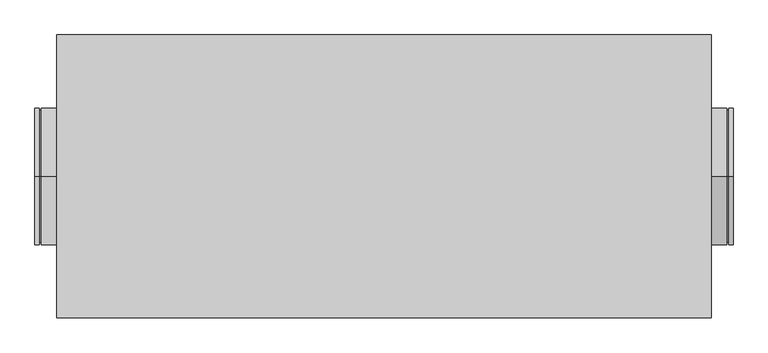
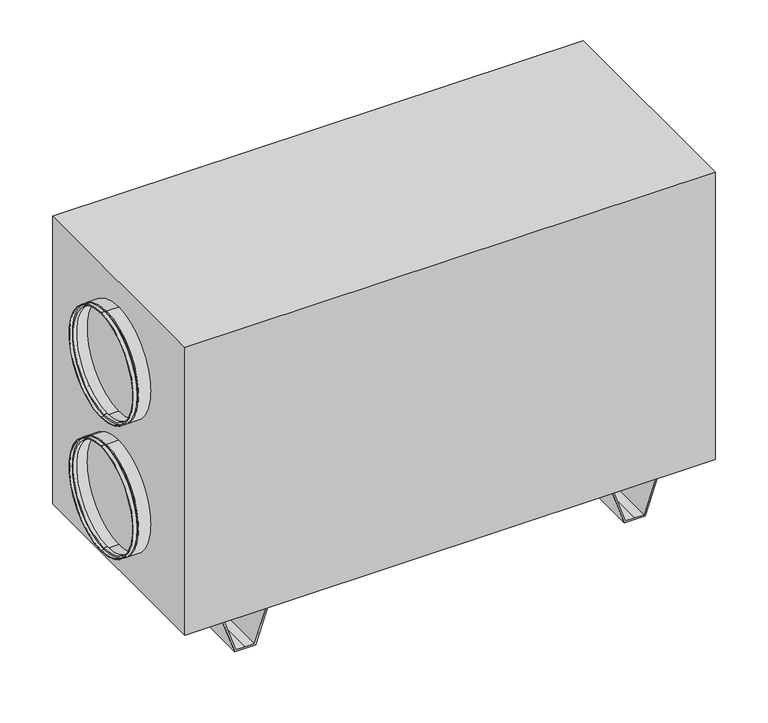
"""IFC4 building model written with IfcOpenShell, lengths in millimetres: proxy geometry."""

from ifc_helpers import new_model, si_unit, frame, origin, place, context, project, spatial, polyline, circle_curve, outline, extrude, source, transform, mapped, element, save
from ifc_brep_helpers import plane_surface, cylinder_surface, revolved_surface, advanced_brep


def mechanical_equipment_5126ec6a(model_context):
    return source(origin(), model_context, "Body", "SolidModel", [
        advanced_brep(
        [(792.5, 0.0, 213.5), (792.5, 0.0, 528.5), (802.5, 0.0, 528.5), (802.5, 0.0, 213.5), (792.5, 0.0, 218.5), (792.5, 0.0, 523.5), (787.5, 0.0, 218.5), (787.5, 0.0, 523.5), (787.5, 0.0, 213.5), (787.5, 0.0, 528.5), (752.5, 0.0, 213.5), (752.5, 0.0, 528.5), (752.5, 0.0, 215.5), (752.5, 0.0, 526.5), (785.5, 0.0, 215.5), (785.5, 0.0, 526.5), (785.5, 0.0, 220.5), (785.5, 0.0, 521.5), (794.5, 0.0, 220.5), (794.5, 0.0, 521.5), (794.5, 0.0, 215.5), (794.5, 0.0, 526.5), (802.5, 0.0, 215.5), (802.5, 0.0, 526.5)],
        [
            (0, 1, circle_curve(frame((792.5, 0.0, 371.0), z_axis=(1.0, 0.0, 0.0), x_axis=(0.0, 0.0, 1.0)), 157.5)),
            (1, 2),
            (2, 3, circle_curve(frame((802.5, 0.0, 371.0), z_axis=(-1.0, 0.0, 0.0), x_axis=(0.0, 0.0, 1.0)), 157.5)),
            (3, 0),
            (1, 0, circle_curve(frame((792.5, 0.0, 371.0), z_axis=(1.0, 0.0, 0.0), x_axis=(0.0, 0.0, 1.0)), 157.5)),
            (3, 2, circle_curve(frame((802.5, 0.0, 371.0), z_axis=(-1.0, 0.0, 0.0), x_axis=(0.0, 0.0, 1.0)), 157.5)),
            (4, 5, circle_curve(frame((792.5, 0.0, 371.0), z_axis=(1.0, 0.0, 0.0), x_axis=(0.0, 0.0, 1.0)), 152.5)),
            (5, 1),
            (0, 4),
            (5, 4, circle_curve(frame((792.5, 0.0, 371.0), z_axis=(1.0, 0.0, 0.0), x_axis=(0.0, 0.0, 1.0)), 152.5)),
            (6, 7, circle_curve(frame((787.5, 0.0, 371.0), z_axis=(1.0, 0.0, 0.0), x_axis=(0.0, 0.0, 1.0)), 152.5)),
            (7, 5),
            (4, 6),
            (7, 6, circle_curve(frame((787.5, 0.0, 371.0), z_axis=(1.0, 0.0, 0.0), x_axis=(0.0, 0.0, 1.0)), 152.5)),
            (8, 9, circle_curve(frame((787.5, 0.0, 371.0), z_axis=(1.0, 0.0, 0.0), x_axis=(0.0, 0.0, 1.0)), 157.5)),
            (9, 7),
            (6, 8),
            (9, 8, circle_curve(frame((787.5, 0.0, 371.0), z_axis=(1.0, 0.0, 0.0), x_axis=(0.0, 0.0, 1.0)), 157.5)),
            (10, 11, circle_curve(frame((752.5, 0.0, 371.0), z_axis=(1.0, 0.0, 0.0), x_axis=(0.0, 0.0, 1.0)), 157.5)),
            (11, 9),
            (8, 10),
            (11, 10, circle_curve(frame((752.5, 0.0, 371.0), z_axis=(1.0, 0.0, 0.0), x_axis=(0.0, 0.0, 1.0)), 157.5)),
            (12, 13, circle_curve(frame((752.5, 0.0, 371.0), z_axis=(1.0, 0.0, 0.0), x_axis=(0.0, 0.0, 1.0)), 155.5)),
            (13, 11),
            (10, 12),
            (13, 12, circle_curve(frame((752.5, 0.0, 371.0), z_axis=(1.0, 0.0, 0.0), x_axis=(0.0, 0.0, 1.0)), 155.5)),
            (14, 15, circle_curve(frame((785.5, 0.0, 371.0), z_axis=(1.0, 0.0, 0.0), x_axis=(0.0, 0.0, 1.0)), 155.5)),
            (15, 13),
            (12, 14),
            (15, 14, circle_curve(frame((785.5, 0.0, 371.0), z_axis=(1.0, 0.0, 0.0), x_axis=(0.0, 0.0, 1.0)), 155.5)),
            (16, 17, circle_curve(frame((785.5, 0.0, 371.0), z_axis=(1.0, 0.0, 0.0), x_axis=(0.0, 0.0, 1.0)), 150.5)),
            (17, 15),
            (14, 16),
            (17, 16, circle_curve(frame((785.5, 0.0, 371.0), z_axis=(1.0, 0.0, 0.0), x_axis=(0.0, 0.0, 1.0)), 150.5)),
            (18, 19, circle_curve(frame((794.5, 0.0, 371.0), z_axis=(1.0, 0.0, 0.0), x_axis=(0.0, 0.0, 1.0)), 150.5)),
            (19, 17),
            (16, 18),
            (19, 18, circle_curve(frame((794.5, 0.0, 371.0), z_axis=(1.0, 0.0, 0.0), x_axis=(0.0, 0.0, 1.0)), 150.5)),
            (20, 21, circle_curve(frame((794.5, 0.0, 371.0), z_axis=(1.0, 0.0, 0.0), x_axis=(0.0, 0.0, 1.0)), 155.5)),
            (21, 19),
            (18, 20),
            (21, 20, circle_curve(frame((794.5, 0.0, 371.0), z_axis=(1.0, 0.0, 0.0), x_axis=(0.0, 0.0, 1.0)), 155.5)),
            (22, 23, circle_curve(frame((802.5, 0.0, 371.0), z_axis=(1.0, 0.0, 0.0), x_axis=(0.0, 0.0, 1.0)), 155.5)),
            (23, 21),
            (20, 22),
            (23, 22, circle_curve(frame((802.5, 0.0, 371.0), z_axis=(1.0, 0.0, 0.0), x_axis=(0.0, 0.0, 1.0)), 155.5)),
            (2, 23),
            (22, 3),
        ],
        [
            cylinder_surface(frame((2337.5440172, 0.0, 371.0), z_axis=(-1.0, 0.0, 0.0), x_axis=(0.0, 0.0, 1.0)), 157.5),
            plane_surface(frame((792.5, 0.0, 371.0), z_axis=(-1.0, 0.0, 0.0), x_axis=(0.0, 0.0, 1.0))),
            cylinder_surface(frame((2337.5440172, 0.0, 371.0), z_axis=(-1.0, 0.0, 0.0), x_axis=(0.0, 0.0, 1.0)), 152.5),
            plane_surface(frame((787.5, 0.0, 371.0), z_axis=(1.0, 0.0, 0.0), x_axis=(0.0, 0.0, 1.0))),
            plane_surface(frame((752.5, 0.0, 371.0), z_axis=(-1.0, 0.0, 0.0), x_axis=(0.0, 0.0, 1.0))),
            revolved_surface(polyline([(752.5, 0.0, 526.5), (785.5, 0.0, 526.5)]), (2337.5440172, 0.0, 371.0), (-1.0, 0.0, 0.0)),
            plane_surface(frame((785.5, 0.0, 371.0), z_axis=(-1.0, 0.0, 0.0), x_axis=(0.0, 0.0, 1.0))),
            revolved_surface(polyline([(785.5, 0.0, 521.5), (794.5, 0.0, 521.5)]), (2337.5440172, 0.0, 371.0), (-1.0, 0.0, 0.0)),
            plane_surface(frame((794.5, 0.0, 371.0), z_axis=(1.0, 0.0, 0.0), x_axis=(0.0, 0.0, 1.0))),
            revolved_surface(polyline([(794.5, 0.0, 526.5), (802.5, 0.0, 526.5)]), (2337.5440172, 0.0, 371.0), (-1.0, 0.0, 0.0)),
            plane_surface(frame((802.5, 0.0, 371.0), z_axis=(1.0, 0.0, 0.0), x_axis=(0.0, 0.0, 1.0))),
        ],
        [
            (0, [[1, 2, 3, 4]]),
            (0, [[5, -4, 6, -2]]),
            (1, [[7, 8, -1, 9]]),
            (1, [[10, -9, -5, -8]]),
            (2, [[11, 12, -7, 13]]),
            (2, [[14, -13, -10, -12]]),
            (3, [[15, 16, -11, 17]]),
            (3, [[18, -17, -14, -16]]),
            (0, [[19, 20, -15, 21]]),
            (0, [[22, -21, -18, -20]]),
            (4, [[23, 24, -19, 25]]),
            (4, [[26, -25, -22, -24]]),
            (5, [[27, 28, -23, 29]]),
            (5, [[30, -29, -26, -28]]),
            (6, [[31, 32, -27, 33]]),
            (6, [[34, -33, -30, -32]]),
            (7, [[35, 36, -31, 37]]),
            (7, [[38, -37, -34, -36]]),
            (8, [[39, 40, -35, 41]]),
            (8, [[42, -41, -38, -40]]),
            (9, [[43, 44, -39, 45]]),
            (9, [[46, -45, -42, -44]]),
            (10, [[-3, 47, -43, 48]]),
            (10, [[-6, -48, -46, -47]]),
        ],
    ),
        advanced_brep(
        [(792.5, 0.0, 613.5), (792.5, 0.0, 928.5), (802.5, 0.0, 928.5), (802.5, 0.0, 613.5), (792.5, 0.0, 618.5), (792.5, 0.0, 923.5), (787.5, 0.0, 618.5), (787.5, 0.0, 923.5), (787.5, 0.0, 613.5), (787.5, 0.0, 928.5), (752.5, 0.0, 613.5), (752.5, 0.0, 928.5), (752.5, 0.0, 615.5), (752.5, 0.0, 926.5), (785.5, 0.0, 615.5), (785.5, 0.0, 926.5), (785.5, 0.0, 620.5), (785.5, 0.0, 921.5), (794.5, 0.0, 620.5), (794.5, 0.0, 921.5), (794.5, 0.0, 615.5), (794.5, 0.0, 926.5), (802.5, 0.0, 615.5), (802.5, 0.0, 926.5)],
        [
            (0, 1, circle_curve(frame((792.5, 0.0, 771.0), z_axis=(1.0, 0.0, 0.0), x_axis=(0.0, 0.0, 1.0)), 157.5)),
            (1, 2),
            (2, 3, circle_curve(frame((802.5, 0.0, 771.0), z_axis=(-1.0, 0.0, 0.0), x_axis=(0.0, 0.0, 1.0)), 157.5)),
            (3, 0),
            (1, 0, circle_curve(frame((792.5, 0.0, 771.0), z_axis=(1.0, 0.0, 0.0), x_axis=(0.0, 0.0, 1.0)), 157.5)),
            (3, 2, circle_curve(frame((802.5, 0.0, 771.0), z_axis=(-1.0, 0.0, 0.0), x_axis=(0.0, 0.0, 1.0)), 157.5)),
            (4, 5, circle_curve(frame((792.5, 0.0, 771.0), z_axis=(1.0, 0.0, 0.0), x_axis=(0.0, 0.0, 1.0)), 152.5)),
            (5, 1),
            (0, 4),
            (5, 4, circle_curve(frame((792.5, 0.0, 771.0), z_axis=(1.0, 0.0, 0.0), x_axis=(0.0, 0.0, 1.0)), 152.5)),
            (6, 7, circle_curve(frame((787.5, 0.0, 771.0), z_axis=(1.0, 0.0, 0.0), x_axis=(0.0, 0.0, 1.0)), 152.5)),
            (7, 5),
            (4, 6),
            (7, 6, circle_curve(frame((787.5, 0.0, 771.0), z_axis=(1.0, 0.0, 0.0), x_axis=(0.0, 0.0, 1.0)), 152.5)),
            (8, 9, circle_curve(frame((787.5, 0.0, 771.0), z_axis=(1.0, 0.0, 0.0), x_axis=(0.0, 0.0, 1.0)), 157.5)),
            (9, 7),
            (6, 8),
            (9, 8, circle_curve(frame((787.5, 0.0, 771.0), z_axis=(1.0, 0.0, 0.0), x_axis=(0.0, 0.0, 1.0)), 157.5)),
            (10, 11, circle_curve(frame((752.5, 0.0, 771.0), z_axis=(1.0, 0.0, 0.0), x_axis=(0.0, 0.0, 1.0)), 157.5)),
            (11, 9),
            (8, 10),
            (11, 10, circle_curve(frame((752.5, 0.0, 771.0), z_axis=(1.0, 0.0, 0.0), x_axis=(0.0, 0.0, 1.0)), 157.5)),
            (12, 13, circle_curve(frame((752.5, 0.0, 771.0), z_axis=(1.0, 0.0, 0.0), x_axis=(0.0, 0.0, 1.0)), 155.5)),
            (13, 11),
            (10, 12),
            (13, 12, circle_curve(frame((752.5, 0.0, 771.0), z_axis=(1.0, 0.0, 0.0), x_axis=(0.0, 0.0, 1.0)), 155.5)),
            (14, 15, circle_curve(frame((785.5, 0.0, 771.0), z_axis=(1.0, 0.0, 0.0), x_axis=(0.0, 0.0, 1.0)), 155.5)),
            (15, 13),
            (12, 14),
            (15, 14, circle_curve(frame((785.5, 0.0, 771.0), z_axis=(1.0, 0.0, 0.0), x_axis=(0.0, 0.0, 1.0)), 155.5)),
            (16, 17, circle_curve(frame((785.5, 0.0, 771.0), z_axis=(1.0, 0.0, 0.0), x_axis=(0.0, 0.0, 1.0)), 150.5)),
            (17, 15),
            (14, 16),
            (17, 16, circle_curve(frame((785.5, 0.0, 771.0), z_axis=(1.0, 0.0, 0.0), x_axis=(0.0, 0.0, 1.0)), 150.5)),
            (18, 19, circle_curve(frame((794.5, 0.0, 771.0), z_axis=(1.0, 0.0, 0.0), x_axis=(0.0, 0.0, 1.0)), 150.5)),
            (19, 17),
            (16, 18),
            (19, 18, circle_curve(frame((794.5, 0.0, 771.0), z_axis=(1.0, 0.0, 0.0), x_axis=(0.0, 0.0, 1.0)), 150.5)),
            (20, 21, circle_curve(frame((794.5, 0.0, 771.0), z_axis=(1.0, 0.0, 0.0), x_axis=(0.0, 0.0, 1.0)), 155.5)),
            (21, 19),
            (18, 20),
            (21, 20, circle_curve(frame((794.5, 0.0, 771.0), z_axis=(1.0, 0.0, 0.0), x_axis=(0.0, 0.0, 1.0)), 155.5)),
            (22, 23, circle_curve(frame((802.5, 0.0, 771.0), z_axis=(1.0, 0.0, 0.0), x_axis=(0.0, 0.0, 1.0)), 155.5)),
            (23, 21),
            (20, 22),
            (23, 22, circle_curve(frame((802.5, 0.0, 771.0), z_axis=(1.0, 0.0, 0.0), x_axis=(0.0, 0.0, 1.0)), 155.5)),
            (2, 23),
            (22, 3),
        ],
        [
            cylinder_surface(frame((2337.5440172, 0.0, 771.0), z_axis=(-1.0, 0.0, 0.0), x_axis=(0.0, 0.0, 1.0)), 157.5),
            plane_surface(frame((792.5, 0.0, 771.0), z_axis=(-1.0, 0.0, 0.0), x_axis=(0.0, 0.0, 1.0))),
            cylinder_surface(frame((2337.5440172, 0.0, 771.0), z_axis=(-1.0, 0.0, 0.0), x_axis=(0.0, 0.0, 1.0)), 152.5),
            plane_surface(frame((787.5, 0.0, 771.0), z_axis=(1.0, 0.0, 0.0), x_axis=(0.0, 0.0, 1.0))),
            plane_surface(frame((752.5, 0.0, 771.0), z_axis=(-1.0, 0.0, 0.0), x_axis=(0.0, 0.0, 1.0))),
            revolved_surface(polyline([(752.5, 0.0, 926.5), (785.5, 0.0, 926.5)]), (2337.5440172, 0.0, 771.0), (-1.0, 0.0, 0.0)),
            plane_surface(frame((785.5, 0.0, 771.0), z_axis=(-1.0, 0.0, 0.0), x_axis=(0.0, 0.0, 1.0))),
            revolved_surface(polyline([(785.5, 0.0, 921.5), (794.5, 0.0, 921.5)]), (2337.5440172, 0.0, 771.0), (-1.0, 0.0, 0.0)),
            plane_surface(frame((794.5, 0.0, 771.0), z_axis=(1.0, 0.0, 0.0), x_axis=(0.0, 0.0, 1.0))),
            revolved_surface(polyline([(794.5, 0.0, 926.5), (802.5, 0.0, 926.5)]), (2337.5440172, 0.0, 771.0), (-1.0, 0.0, 0.0)),
            plane_surface(frame((802.5, 0.0, 771.0), z_axis=(1.0, 0.0, 0.0), x_axis=(0.0, 0.0, 1.0))),
        ],
        [
            (0, [[1, 2, 3, 4]]),
            (0, [[5, -4, 6, -2]]),
            (1, [[7, 8, -1, 9]]),
            (1, [[10, -9, -5, -8]]),
            (2, [[11, 12, -7, 13]]),
            (2, [[14, -13, -10, -12]]),
            (3, [[15, 16, -11, 17]]),
            (3, [[18, -17, -14, -16]]),
            (0, [[19, 20, -15, 21]]),
            (0, [[22, -21, -18, -20]]),
            (4, [[23, 24, -19, 25]]),
            (4, [[26, -25, -22, -24]]),
            (5, [[27, 28, -23, 29]]),
            (5, [[30, -29, -26, -28]]),
            (6, [[31, 32, -27, 33]]),
            (6, [[34, -33, -30, -32]]),
            (7, [[35, 36, -31, 37]]),
            (7, [[38, -37, -34, -36]]),
            (8, [[39, 40, -35, 41]]),
            (8, [[42, -41, -38, -40]]),
            (9, [[43, 44, -39, 45]]),
            (9, [[46, -45, -42, -44]]),
            (10, [[-3, 47, -43, 48]]),
            (10, [[-6, -48, -46, -47]]),
        ],
    ),
        advanced_brep(
        [(-792.5, 0.0, 928.5), (-792.5, 0.0, 613.5), (-802.5, 0.0, 613.5), (-802.5, 0.0, 928.5), (-792.5, 0.0, 923.5), (-792.5, 0.0, 618.5), (-787.5, 0.0, 923.5), (-787.5, 0.0, 618.5), (-787.5, 0.0, 928.5), (-787.5, 0.0, 613.5), (-752.5, 0.0, 928.5), (-752.5, 0.0, 613.5), (-752.5, 0.0, 926.5), (-752.5, 0.0, 615.5), (-785.5, 0.0, 926.5), (-785.5, 0.0, 615.5), (-785.5, 0.0, 921.5), (-785.5, 0.0, 620.5), (-794.5, 0.0, 921.5), (-794.5, 0.0, 620.5), (-794.5, 0.0, 926.5), (-794.5, 0.0, 615.5), (-802.5, 0.0, 926.5), (-802.5, 0.0, 615.5)],
        [
            (0, 1, circle_curve(frame((-792.5, 0.0, 771.0), z_axis=(-1.0, 0.0, 0.0), x_axis=(0.0, 0.0, -1.0)), 157.5)),
            (1, 2),
            (2, 3, circle_curve(frame((-802.5, 0.0, 771.0), z_axis=(1.0, 0.0, 0.0), x_axis=(0.0, 0.0, -1.0)), 157.5)),
            (3, 0),
            (1, 0, circle_curve(frame((-792.5, 0.0, 771.0), z_axis=(-1.0, 0.0, 0.0), x_axis=(0.0, 0.0, -1.0)), 157.5)),
            (3, 2, circle_curve(frame((-802.5, 0.0, 771.0), z_axis=(1.0, 0.0, 0.0), x_axis=(0.0, 0.0, -1.0)), 157.5)),
            (4, 5, circle_curve(frame((-792.5, 0.0, 771.0), z_axis=(-1.0, 0.0, 0.0), x_axis=(0.0, 0.0, -1.0)), 152.5)),
            (5, 1),
            (0, 4),
            (5, 4, circle_curve(frame((-792.5, 0.0, 771.0), z_axis=(-1.0, 0.0, 0.0), x_axis=(0.0, 0.0, -1.0)), 152.5)),
            (6, 7, circle_curve(frame((-787.5, 0.0, 771.0), z_axis=(-1.0, 0.0, 0.0), x_axis=(0.0, 0.0, -1.0)), 152.5)),
            (7, 5),
            (4, 6),
            (7, 6, circle_curve(frame((-787.5, 0.0, 771.0), z_axis=(-1.0, 0.0, 0.0), x_axis=(0.0, 0.0, -1.0)), 152.5)),
            (8, 9, circle_curve(frame((-787.5, 0.0, 771.0), z_axis=(-1.0, 0.0, 0.0), x_axis=(0.0, 0.0, -1.0)), 157.5)),
            (9, 7),
            (6, 8),
            (9, 8, circle_curve(frame((-787.5, 0.0, 771.0), z_axis=(-1.0, 0.0, 0.0), x_axis=(0.0, 0.0, -1.0)), 157.5)),
            (10, 11, circle_curve(frame((-752.5, 0.0, 771.0), z_axis=(-1.0, 0.0, 0.0), x_axis=(0.0, 0.0, -1.0)), 157.5)),
            (11, 9),
            (8, 10),
            (11, 10, circle_curve(frame((-752.5, 0.0, 771.0), z_axis=(-1.0, 0.0, 0.0), x_axis=(0.0, 0.0, -1.0)), 157.5)),
            (12, 13, circle_curve(frame((-752.5, 0.0, 771.0), z_axis=(-1.0, 0.0, 0.0), x_axis=(0.0, 0.0, -1.0)), 155.5)),
            (13, 11),
            (10, 12),
            (13, 12, circle_curve(frame((-752.5, 0.0, 771.0), z_axis=(-1.0, 0.0, 0.0), x_axis=(0.0, 0.0, -1.0)), 155.5)),
            (14, 15, circle_curve(frame((-785.5, 0.0, 771.0), z_axis=(-1.0, 0.0, 0.0), x_axis=(0.0, 0.0, -1.0)), 155.5)),
            (15, 13),
            (12, 14),
            (15, 14, circle_curve(frame((-785.5, 0.0, 771.0), z_axis=(-1.0, 0.0, 0.0), x_axis=(0.0, 0.0, -1.0)), 155.5)),
            (16, 17, circle_curve(frame((-785.5, 0.0, 771.0), z_axis=(-1.0, 0.0, 0.0), x_axis=(0.0, 0.0, -1.0)), 150.5)),
            (17, 15),
            (14, 16),
            (17, 16, circle_curve(frame((-785.5, 0.0, 771.0), z_axis=(-1.0, 0.0, 0.0), x_axis=(0.0, 0.0, -1.0)), 150.5)),
            (18, 19, circle_curve(frame((-794.5, 0.0, 771.0), z_axis=(-1.0, 0.0, 0.0), x_axis=(0.0, 0.0, -1.0)), 150.5)),
            (19, 17),
            (16, 18),
            (19, 18, circle_curve(frame((-794.5, 0.0, 771.0), z_axis=(-1.0, 0.0, 0.0), x_axis=(0.0, 0.0, -1.0)), 150.5)),
            (20, 21, circle_curve(frame((-794.5, 0.0, 771.0), z_axis=(-1.0, 0.0, 0.0), x_axis=(0.0, 0.0, -1.0)), 155.5)),
            (21, 19),
            (18, 20),
            (21, 20, circle_curve(frame((-794.5, 0.0, 771.0), z_axis=(-1.0, 0.0, 0.0), x_axis=(0.0, 0.0, -1.0)), 155.5)),
            (22, 23, circle_curve(frame((-802.5, 0.0, 771.0), z_axis=(-1.0, 0.0, 0.0), x_axis=(0.0, 0.0, -1.0)), 155.5)),
            (23, 21),
            (20, 22),
            (23, 22, circle_curve(frame((-802.5, 0.0, 771.0), z_axis=(-1.0, 0.0, 0.0), x_axis=(0.0, 0.0, -1.0)), 155.5)),
            (2, 23),
            (22, 3),
        ],
        [
            cylinder_surface(frame((-2337.5440172, 0.0, 771.0), z_axis=(1.0, 0.0, 0.0), x_axis=(0.0, 0.0, -1.0)), 157.5),
            plane_surface(frame((-792.5, 0.0, 771.0), z_axis=(1.0, 0.0, 0.0), x_axis=(0.0, 0.0, -1.0))),
            cylinder_surface(frame((-2337.5440172, 0.0, 771.0), z_axis=(1.0, 0.0, 0.0), x_axis=(0.0, 0.0, -1.0)), 152.5),
            plane_surface(frame((-787.5, 0.0, 771.0), z_axis=(-1.0, 0.0, 0.0), x_axis=(0.0, 0.0, -1.0))),
            plane_surface(frame((-752.5, 0.0, 771.0), z_axis=(1.0, 0.0, 0.0), x_axis=(0.0, 0.0, -1.0))),
            revolved_surface(polyline([(-752.5, 0.0, 615.5), (-785.5, 0.0, 615.5)]), (-2337.5440172, 0.0, 771.0), (1.0, 0.0, 0.0)),
            plane_surface(frame((-785.5, 0.0, 771.0), z_axis=(1.0, 0.0, 0.0), x_axis=(0.0, 0.0, -1.0))),
            revolved_surface(polyline([(-785.5, 0.0, 620.5), (-794.5, 0.0, 620.5)]), (-2337.5440172, 0.0, 771.0), (1.0, 0.0, 0.0)),
            plane_surface(frame((-794.5, 0.0, 771.0), z_axis=(-1.0, 0.0, 0.0), x_axis=(0.0, 0.0, -1.0))),
            revolved_surface(polyline([(-794.5, 0.0, 615.5), (-802.5, 0.0, 615.5)]), (-2337.5440172, 0.0, 771.0), (1.0, 0.0, 0.0)),
            plane_surface(frame((-802.5, 0.0, 771.0), z_axis=(-1.0, 0.0, 0.0), x_axis=(0.0, 0.0, -1.0))),
        ],
        [
            (0, [[1, 2, 3, 4]]),
            (0, [[5, -4, 6, -2]]),
            (1, [[7, 8, -1, 9]]),
            (1, [[10, -9, -5, -8]]),
            (2, [[11, 12, -7, 13]]),
            (2, [[14, -13, -10, -12]]),
            (3, [[15, 16, -11, 17]]),
            (3, [[18, -17, -14, -16]]),
            (0, [[19, 20, -15, 21]]),
            (0, [[22, -21, -18, -20]]),
            (4, [[23, 24, -19, 25]]),
            (4, [[26, -25, -22, -24]]),
            (5, [[27, 28, -23, 29]]),
            (5, [[30, -29, -26, -28]]),
            (6, [[31, 32, -27, 33]]),
            (6, [[34, -33, -30, -32]]),
            (7, [[35, 36, -31, 37]]),
            (7, [[38, -37, -34, -36]]),
            (8, [[39, 40, -35, 41]]),
            (8, [[42, -41, -38, -40]]),
            (9, [[43, 44, -39, 45]]),
            (9, [[46, -45, -42, -44]]),
            (10, [[-3, 47, -43, 48]]),
            (10, [[-6, -48, -46, -47]]),
        ],
    ),
        advanced_brep(
        [(-792.5, 0.0, 528.5), (-792.5, 0.0, 213.5), (-802.5, 0.0, 213.5), (-802.5, 0.0, 528.5), (-792.5, 0.0, 523.5), (-792.5, 0.0, 218.5), (-787.5, 0.0, 523.5), (-787.5, 0.0, 218.5), (-787.5, 0.0, 528.5), (-787.5, 0.0, 213.5), (-752.5, 0.0, 528.5), (-752.5, 0.0, 213.5), (-752.5, 0.0, 526.5), (-752.5, 0.0, 215.5), (-785.5, 0.0, 526.5), (-785.5, 0.0, 215.5), (-785.5, 0.0, 521.5), (-785.5, 0.0, 220.5), (-794.5, 0.0, 521.5), (-794.5, 0.0, 220.5), (-794.5, 0.0, 526.5), (-794.5, 0.0, 215.5), (-802.5, 0.0, 526.5), (-802.5, 0.0, 215.5)],
        [
            (0, 1, circle_curve(frame((-792.5, 0.0, 371.0), z_axis=(-1.0, 0.0, 0.0), x_axis=(0.0, 0.0, -1.0)), 157.5)),
            (1, 2),
            (2, 3, circle_curve(frame((-802.5, 0.0, 371.0), z_axis=(1.0, 0.0, 0.0), x_axis=(0.0, 0.0, -1.0)), 157.5)),
            (3, 0),
            (1, 0, circle_curve(frame((-792.5, 0.0, 371.0), z_axis=(-1.0, 0.0, 0.0), x_axis=(0.0, 0.0, -1.0)), 157.5)),
            (3, 2, circle_curve(frame((-802.5, 0.0, 371.0), z_axis=(1.0, 0.0, 0.0), x_axis=(0.0, 0.0, -1.0)), 157.5)),
            (4, 5, circle_curve(frame((-792.5, 0.0, 371.0), z_axis=(-1.0, 0.0, 0.0), x_axis=(0.0, 0.0, -1.0)), 152.5)),
            (5, 1),
            (0, 4),
            (5, 4, circle_curve(frame((-792.5, 0.0, 371.0), z_axis=(-1.0, 0.0, 0.0), x_axis=(0.0, 0.0, -1.0)), 152.5)),
            (6, 7, circle_curve(frame((-787.5, 0.0, 371.0), z_axis=(-1.0, 0.0, 0.0), x_axis=(0.0, 0.0, -1.0)), 152.5)),
            (7, 5),
            (4, 6),
            (7, 6, circle_curve(frame((-787.5, 0.0, 371.0), z_axis=(-1.0, 0.0, 0.0), x_axis=(0.0, 0.0, -1.0)), 152.5)),
            (8, 9, circle_curve(frame((-787.5, 0.0, 371.0), z_axis=(-1.0, 0.0, 0.0), x_axis=(0.0, 0.0, -1.0)), 157.5)),
            (9, 7),
            (6, 8),
            (9, 8, circle_curve(frame((-787.5, 0.0, 371.0), z_axis=(-1.0, 0.0, 0.0), x_axis=(0.0, 0.0, -1.0)), 157.5)),
            (10, 11, circle_curve(frame((-752.5, 0.0, 371.0), z_axis=(-1.0, 0.0, 0.0), x_axis=(0.0, 0.0, -1.0)), 157.5)),
            (11, 9),
            (8, 10),
            (11, 10, circle_curve(frame((-752.5, 0.0, 371.0), z_axis=(-1.0, 0.0, 0.0), x_axis=(0.0, 0.0, -1.0)), 157.5)),
            (12, 13, circle_curve(frame((-752.5, 0.0, 371.0), z_axis=(-1.0, 0.0, 0.0), x_axis=(0.0, 0.0, -1.0)), 155.5)),
            (13, 11),
            (10, 12),
            (13, 12, circle_curve(frame((-752.5, 0.0, 371.0), z_axis=(-1.0, 0.0, 0.0), x_axis=(0.0, 0.0, -1.0)), 155.5)),
            (14, 15, circle_curve(frame((-785.5, 0.0, 371.0), z_axis=(-1.0, 0.0, 0.0), x_axis=(0.0, 0.0, -1.0)), 155.5)),
            (15, 13),
            (12, 14),
            (15, 14, circle_curve(frame((-785.5, 0.0, 371.0), z_axis=(-1.0, 0.0, 0.0), x_axis=(0.0, 0.0, -1.0)), 155.5)),
            (16, 17, circle_curve(frame((-785.5, 0.0, 371.0), z_axis=(-1.0, 0.0, 0.0), x_axis=(0.0, 0.0, -1.0)), 150.5)),
            (17, 15),
            (14, 16),
            (17, 16, circle_curve(frame((-785.5, 0.0, 371.0), z_axis=(-1.0, 0.0, 0.0), x_axis=(0.0, 0.0, -1.0)), 150.5)),
            (18, 19, circle_curve(frame((-794.5, 0.0, 371.0), z_axis=(-1.0, 0.0, 0.0), x_axis=(0.0, 0.0, -1.0)), 150.5)),
            (19, 17),
            (16, 18),
            (19, 18, circle_curve(frame((-794.5, 0.0, 371.0), z_axis=(-1.0, 0.0, 0.0), x_axis=(0.0, 0.0, -1.0)), 150.5)),
            (20, 21, circle_curve(frame((-794.5, 0.0, 371.0), z_axis=(-1.0, 0.0, 0.0), x_axis=(0.0, 0.0, -1.0)), 155.5)),
            (21, 19),
            (18, 20),
            (21, 20, circle_curve(frame((-794.5, 0.0, 371.0), z_axis=(-1.0, 0.0, 0.0), x_axis=(0.0, 0.0, -1.0)), 155.5)),
            (22, 23, circle_curve(frame((-802.5, 0.0, 371.0), z_axis=(-1.0, 0.0, 0.0), x_axis=(0.0, 0.0, -1.0)), 155.5)),
            (23, 21),
            (20, 22),
            (23, 22, circle_curve(frame((-802.5, 0.0, 371.0), z_axis=(-1.0, 0.0, 0.0), x_axis=(0.0, 0.0, -1.0)), 155.5)),
            (2, 23),
            (22, 3),
        ],
        [
            cylinder_surface(frame((-2337.5440172, 0.0, 371.0), z_axis=(1.0, 0.0, 0.0), x_axis=(0.0, 0.0, -1.0)), 157.5),
            plane_surface(frame((-792.5, 0.0, 371.0), z_axis=(1.0, 0.0, 0.0), x_axis=(0.0, 0.0, -1.0))),
            cylinder_surface(frame((-2337.5440172, 0.0, 371.0), z_axis=(1.0, 0.0, 0.0), x_axis=(0.0, 0.0, -1.0)), 152.5),
            plane_surface(frame((-787.5, 0.0, 371.0), z_axis=(-1.0, 0.0, 0.0), x_axis=(0.0, 0.0, -1.0))),
            plane_surface(frame((-752.5, 0.0, 371.0), z_axis=(1.0, 0.0, 0.0), x_axis=(0.0, 0.0, -1.0))),
            revolved_surface(polyline([(-752.5, 0.0, 215.5), (-785.5, 0.0, 215.5)]), (-2337.5440172, 0.0, 371.0), (1.0, 0.0, 0.0)),
            plane_surface(frame((-785.5, 0.0, 371.0), z_axis=(1.0, 0.0, 0.0), x_axis=(0.0, 0.0, -1.0))),
            revolved_surface(polyline([(-785.5, 0.0, 220.5), (-794.5, 0.0, 220.5)]), (-2337.5440172, 0.0, 371.0), (1.0, 0.0, 0.0)),
            plane_surface(frame((-794.5, 0.0, 371.0), z_axis=(-1.0, 0.0, 0.0), x_axis=(0.0, 0.0, -1.0))),
            revolved_surface(polyline([(-794.5, 0.0, 215.5), (-802.5, 0.0, 215.5)]), (-2337.5440172, 0.0, 371.0), (1.0, 0.0, 0.0)),
            plane_surface(frame((-802.5, 0.0, 371.0), z_axis=(-1.0, 0.0, 0.0), x_axis=(0.0, 0.0, -1.0))),
        ],
        [
            (0, [[1, 2, 3, 4]]),
            (0, [[5, -4, 6, -2]]),
            (1, [[7, 8, -1, 9]]),
            (1, [[10, -9, -5, -8]]),
            (2, [[11, 12, -7, 13]]),
            (2, [[14, -13, -10, -12]]),
            (3, [[15, 16, -11, 17]]),
            (3, [[18, -17, -14, -16]]),
            (0, [[19, 20, -15, 21]]),
            (0, [[22, -21, -18, -20]]),
            (4, [[23, 24, -19, 25]]),
            (4, [[26, -25, -22, -24]]),
            (5, [[27, 28, -23, 29]]),
            (5, [[30, -29, -26, -28]]),
            (6, [[31, 32, -27, 33]]),
            (6, [[34, -33, -30, -32]]),
            (7, [[35, 36, -31, 37]]),
            (7, [[38, -37, -34, -36]]),
            (8, [[39, 40, -35, 41]]),
            (8, [[42, -41, -38, -40]]),
            (9, [[43, 44, -39, 45]]),
            (9, [[46, -45, -42, -44]]),
            (10, [[-3, 47, -43, 48]]),
            (10, [[-6, -48, -46, -47]]),
        ],
    ),
        extrude(outline(polyline([(0.0, 582.5), (140.0, 629.613356), (140.0, 624.3560448), (5.0, 578.8672874), (5.0, 552.5), (5.0, 526.1327126), (140.0, 480.6439552), (140.0, 475.386644), (0.0, 522.5), (0.0, 552.5), (0.0, 582.5)])), frame((0.0, -275.0, 0.0), z_axis=(0.0, 1.0, 0.0), x_axis=(0.0, 0.0, 1.0)), (0.0, 0.0, 1.0), 550.0),
        extrude(outline(polyline([(0.0, -522.5), (140.0, -475.386644), (140.0, -480.6439552), (5.0, -526.1327126), (5.0, -552.5), (5.0, -578.8672874), (140.0, -624.3560448), (140.0, -629.613356), (0.0, -582.5), (0.0, -552.5), (0.0, -522.5)])), frame((0.0, -275.0, 0.0), z_axis=(0.0, 1.0, 0.0), x_axis=(0.0, 0.0, 1.0)), (0.0, 0.0, 1.0), 550.0),
        extrude(outline(polyline([(-752.5, 325.0), (752.5, 325.0), (752.5, -325.0), (-752.5, -325.0), (-752.5, 325.0)])), frame((0.0, 0.0, 140.0), z_axis=(0.0, 0.0, 1.0), x_axis=(1.0, 0.0, 0.0)), (0.0, 0.0, 1.0), 863.0),
    ])


if __name__ == "__main__":
    model = new_model("IFC4")
    model_context = context("Model", 3, world=origin())
    ifc_project = project(units=[si_unit("LENGTHUNIT", "METRE", prefix="MILLI")], contexts=[model_context])
    site = spatial("IfcSite", under=ifc_project)
    building = spatial("IfcBuilding", under=site)
    placement = place(None, origin())
    mechanical_equipment_shape = mechanical_equipment_5126ec6a(model_context)
    element("IfcBuildingElementProxy", 1, Name="Mechanical Equipment", at=placement, inside=building, context=model_context, shape_type="MappedRepresentation", body=[
        mapped(mechanical_equipment_shape, transform((0.0, 0.0, 0.0), x_axis=(1.0, 0.0, 0.0), y_axis=(0.0, 1.0, 0.0), z_axis=(0.0, 0.0, 1.0))),
    ])
    save(model, "model.ifc")
